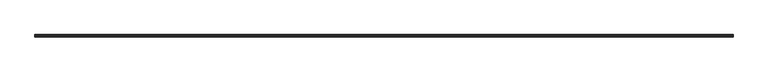
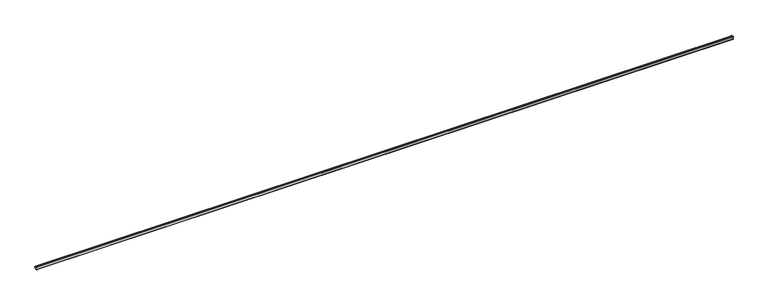
"""IFC4 building model written with IfcOpenShell, lengths in millimetres: railing geometry."""

from ifc_helpers import new_model, si_unit, point, frame, frame_2d, origin, place, context, project, spatial, polyline, circle_curve, trimmed, segment, composite_curve, outline, extrude, source, transform, mapped, element, save


def railing_66310bda(model_context):
    return source(origin(), model_context, "Body", "SweptSolid", [
        extrude(outline(composite_curve([segment(trimmed(circle_curve(frame_2d((52358.9310874, 792.0635247)), 90.0), [point((52320.9476404, 710.4715046))], [point((52353.9766023, 702.2))], True, "CARTESIAN"), True, "CONTINUOUS"), segment(trimmed(circle_curve(frame_2d((52353.9766023, 673.7)), 28.5), [point((52353.9766023, 702.2))], [point((52379.6289303, 686.1180542))], False, "CARTESIAN"), True, "CONTINUOUS"), segment(trimmed(circle_curve(frame_2d((52353.9766023, 673.7)), 28.5), [point((52379.6289303, 686.1180542))], [point((52379.338976, 660.7))], False, "CARTESIAN"), True, "CONTINUOUS"), segment(trimmed(circle_curve(frame_2d((52353.9766023, 673.7)), 28.5), [point((52379.338976, 660.7))], [point((52353.9766023, 645.2))], False, "CARTESIAN"), True, "CONTINUOUS"), segment(trimmed(circle_curve(frame_2d((52358.9310874, 555.3364753)), 90.0), [point((52353.9766023, 645.2))], [point((52319.6662321, 636.3196287))], True, "CARTESIAN"), True, "CONTINUOUS"), segment(trimmed(circle_curve(frame_2d((52318.7266023, 639.95)), 3.75), [point((52319.6662321, 636.3196287))], [point((52314.9766023, 639.95))], False, "CARTESIAN"), True, "CONTINUOUS"), segment(polyline([(52314.9766023, 639.95), (52314.9766023, 707.45)]), True, "CONTINUOUS"), segment(trimmed(circle_curve(frame_2d((52318.7266023, 707.45)), 3.75), [point((52314.9766023, 707.45))], [point((52320.9476404, 710.4715046))], False, "CARTESIAN"), True, "CONTINUOUS")], self_intersect=False)), frame((31170.4663719, 0.0, 0.0), z_axis=(1.0, 0.0, 0.0), x_axis=(0.0, 1.0, 0.0)), (0.0, 0.0, 1.0), 18288.0),
    ])


if __name__ == "__main__":
    model = new_model("IFC4")
    model_context = context("Model", 3, world=origin())
    ifc_project = project(units=[si_unit("LENGTHUNIT", "METRE", prefix="MILLI")], contexts=[model_context])
    site = spatial("IfcSite", under=ifc_project)
    building = spatial("IfcBuilding", under=site)
    placement = place(None, origin())
    railing_shape = railing_66310bda(model_context)
    element("IfcRailing", 1, at=placement, inside=building, context=model_context, shape_type="MappedRepresentation", body=[
        mapped(railing_shape, transform((0.0, 0.0, 0.0), x_axis=(1.0, 0.0, 0.0), y_axis=(0.0, 1.0, 0.0), z_axis=(0.0, 0.0, 1.0))),
    ])
    save(model, "model.ifc")
